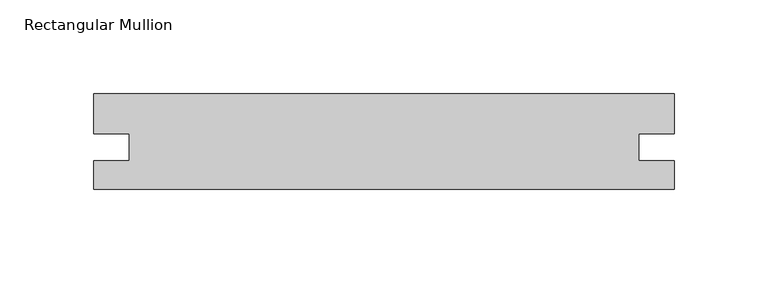
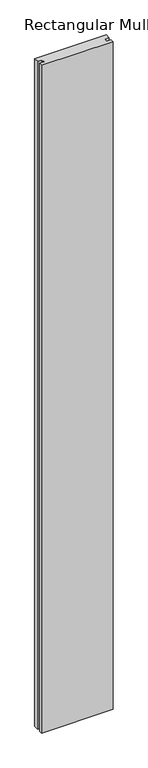
"""IFC4 building model written with IfcOpenShell, lengths in millimetres: member geometry, Rectangular Mullion."""

from ifc_helpers import new_model, si_unit, frame, origin, place, context, project, spatial, polyline, outline, extrude, source, transform, mapped, element, save


def rectangular_mullion_e4aece48(model_context):
    return source(origin(), model_context, "Body", "SweptSolid", [
        extrude(outline(polyline([(0.0, -52.1045502), (-309.5481183, -52.1045502), (-309.5481183, -37.0055202), (-290.5235183, -37.0055202), (-290.5235183, -22.6926202), (-309.548117, -22.6926202), (-309.548117, -1.3045502), (-1.3e-06, -1.3045502), (-1.3e-06, -22.6926269), (-19.0246, -22.6926269), (-19.0246, -37.0055202), (0.0, -37.0055202), (0.0, -52.1045502)])), frame((0.0, 0.0, -3048.0), z_axis=(0.0, 0.0, 1.0), x_axis=(1.0, 0.0, 0.0)), (0.0, 0.0, 1.0), 3048.0),
    ])


if __name__ == "__main__":
    model = new_model("IFC4")
    model_context = context("Model", 3, world=origin())
    ifc_project = project(units=[si_unit("LENGTHUNIT", "METRE", prefix="MILLI")], contexts=[model_context])
    site = spatial("IfcSite", under=ifc_project)
    building = spatial("IfcBuilding", under=site)
    placement = place(None, origin())
    rectangular_mullion_shape = rectangular_mullion_e4aece48(model_context)
    element("IfcMember", 1, ObjectType="Rectangular Mullion", at=placement, inside=building, context=model_context, shape_type="MappedRepresentation", body=[
        mapped(rectangular_mullion_shape, transform((0.0, 0.0, 0.0), x_axis=(1.0, 0.0, 0.0), y_axis=(0.0, 1.0, 0.0), z_axis=(0.0, 0.0, 1.0))),
    ])
    save(model, "model.ifc")
